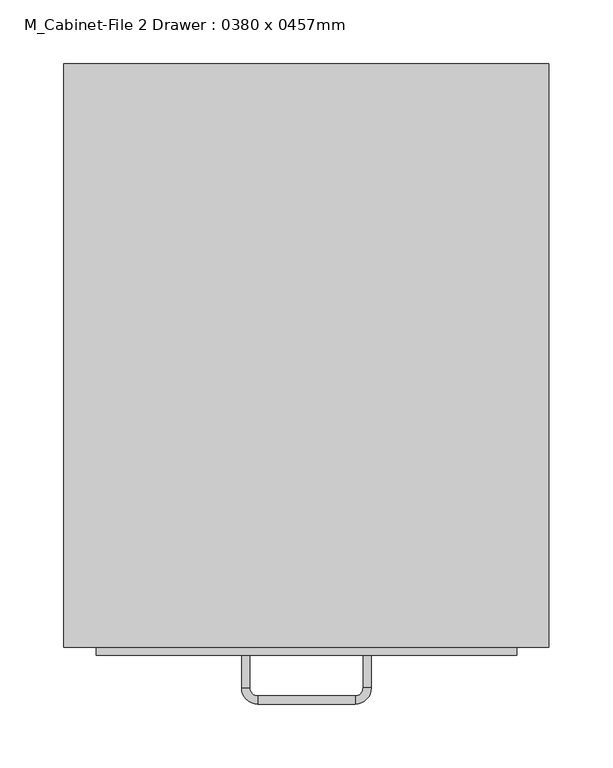
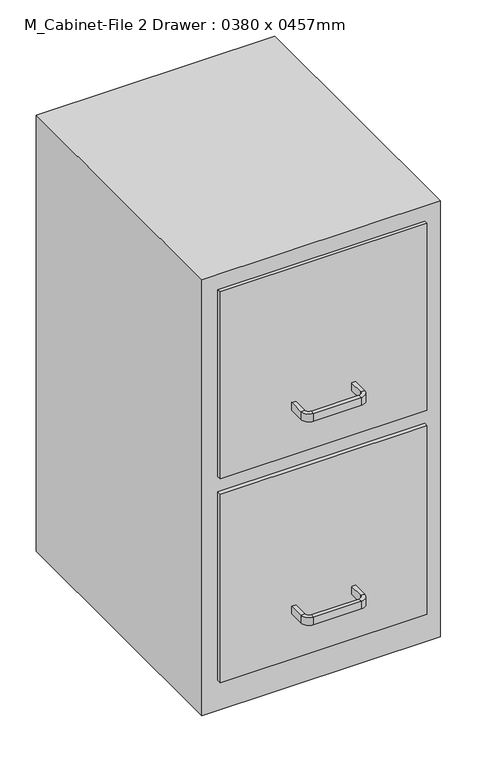
"""IFC4 building model written with IfcOpenShell, lengths in millimetres: furniture geometry, M_Cabinet-File 2 Drawer : 0380 x 0457mm."""

from ifc_helpers import new_model, si_unit, frame, origin, origin_with_axes, place, context, project, spatial, polyline, circle_curve, outline, extrude, source, transform, mapped, element, save
from ifc_brep_helpers import plane_surface, cylinder_surface, revolved_surface, advanced_brep


def m_cabinet_file_2_drawer_0380_x_0457mm_9eec7cff(model_context):
    return source(origin(), model_context, "Body", "SolidModel", [
        extrude(outline(polyline([(36.703553, -376.9843001), (-292.496447, -376.9843001), (-292.496447, -370.6343001), (36.703553, -370.6343001), (36.703553, -376.9843001)])), frame((0.0, 0.0, 393.7), z_axis=(0.0, 0.0, 1.0), x_axis=(1.0, 0.0, 0.0)), (0.0, 0.0, 1.0), 314.9),
        extrude(outline(polyline([(36.703553, -376.9843001), (-292.496447, -376.9843001), (-292.496447, -370.6343001), (36.703553, -370.6343001), (36.703553, -376.9843001)])), frame((0.0, 0.0, 50.8), z_axis=(0.0, 0.0, 1.0), x_axis=(1.0, 0.0, 0.0)), (0.0, 0.0, 1.0), 317.5),
        advanced_brep(
        [(-172.346447, -376.9843001, 127.0), (-178.696447, -376.9843001, 127.0), (-178.696447, -376.9843001, 139.7), (-172.346447, -376.9843001, 139.7), (-172.346447, -402.3843001, 127.0), (-178.696447, -402.3843001, 127.0), (-178.696447, -402.3843001, 139.7), (-172.346447, -402.3843001, 139.7), (-165.996447, -415.0843001, 127.0), (-165.996447, -408.7343001, 127.0), (-165.996447, -415.0843001, 139.7), (-165.996447, -408.7343001, 139.7), (-89.796447, -408.7343001, 127.0), (-89.796447, -415.0843001, 127.0), (-89.796447, -415.0843001, 139.7), (-89.796447, -408.7343001, 139.7), (-77.096447, -402.3843001, 127.0), (-83.446447, -402.3843001, 127.0), (-77.096447, -402.3843001, 139.7), (-83.446447, -402.3843001, 139.7), (-83.446447, -376.9843001, 127.0), (-83.446447, -376.9843001, 139.7), (-77.096447, -376.9843001, 139.7), (-77.096447, -376.9843001, 127.0)],
        [
            (0, 1),
            (1, 2),
            (2, 3),
            (3, 0),
            (0, 4),
            (4, 5),
            (5, 1),
            (5, 6),
            (6, 2),
            (6, 7),
            (7, 3),
            (7, 4),
            (8, 5, circle_curve(frame((-165.996447, -402.3843001, 127.0), z_axis=(0.0, 0.0, -1.0), x_axis=(-1.0, 0.0, 0.0)), 12.7)),
            (4, 9, circle_curve(frame((-165.996447, -402.3843001, 127.0), z_axis=(0.0, 0.0, 1.0), x_axis=(-1.0, 0.0, 0.0)), 6.35)),
            (9, 8),
            (10, 6, circle_curve(frame((-165.996447, -402.3843001, 139.7), z_axis=(0.0, 0.0, -1.0), x_axis=(-1.0, 0.0, 0.0)), 12.7)),
            (8, 10),
            (11, 7, circle_curve(frame((-165.996447, -402.3843001, 139.7), z_axis=(0.0, 0.0, -1.0), x_axis=(-1.0, 0.0, 0.0)), 6.35)),
            (10, 11),
            (11, 9),
            (9, 12),
            (12, 13),
            (13, 8),
            (13, 14),
            (14, 10),
            (14, 15),
            (15, 11),
            (15, 12),
            (16, 13, circle_curve(frame((-89.796447, -402.3843001, 127.0), z_axis=(0.0, 0.0, -1.0), x_axis=(0.0, -1.0, 0.0)), 12.7)),
            (12, 17, circle_curve(frame((-89.796447, -402.3843001, 127.0), z_axis=(0.0, 0.0, 1.0), x_axis=(0.0, -1.0, 0.0)), 6.35)),
            (17, 16),
            (18, 14, circle_curve(frame((-89.796447, -402.3843001, 139.7), z_axis=(0.0, 0.0, -1.0), x_axis=(0.0, -1.0, 0.0)), 12.7)),
            (16, 18),
            (19, 15, circle_curve(frame((-89.796447, -402.3843001, 139.7), z_axis=(0.0, 0.0, -1.0), x_axis=(0.0, -1.0, 0.0)), 6.35)),
            (18, 19),
            (19, 17),
            (20, 21),
            (21, 22),
            (22, 23),
            (23, 20),
            (17, 20),
            (23, 16),
            (22, 18),
            (21, 19),
        ],
        [
            plane_surface(frame((-661.3382215, -376.9843001, 0.0), z_axis=(0.0, 1.0, 0.0), x_axis=(0.0, 0.0, -1.0))),
            plane_surface(frame((-172.346447, -376.9843001, 127.0), z_axis=(0.0, 0.0, -1.0), x_axis=(0.0, -1.0, 0.0))),
            plane_surface(frame((-178.696447, -376.9843001, 127.0), z_axis=(-1.0, 0.0, 0.0), x_axis=(0.0, -1.0, 0.0))),
            plane_surface(frame((-178.696447, -376.9843001, 139.7), z_axis=(0.0, 0.0, 1.0), x_axis=(0.0, -1.0, 0.0))),
            plane_surface(frame((-172.346447, -376.9843001, 139.7), z_axis=(1.0, 0.0, 0.0), x_axis=(0.0, -1.0, 0.0))),
            plane_surface(frame((-165.996447, -402.3843001, 127.0), z_axis=(0.0, 0.0, -1.0), x_axis=(-1.0, 0.0, 0.0))),
            cylinder_surface(frame((-165.996447, -402.3843001, 0.0), z_axis=(0.0, 0.0, 1.0), x_axis=(-1.0, 0.0, 0.0)), 12.7),
            plane_surface(frame((-165.996447, -402.3843001, 139.7), z_axis=(0.0, 0.0, 1.0), x_axis=(-1.0, 0.0, 0.0))),
            revolved_surface(polyline([(-172.34644699999998, -402.3843001, 139.7), (-172.34644699999998, -402.3843001, 127.0)]), (-165.996447, -402.3843001, 0.0), (0.0, 0.0, 1.0)),
            plane_surface(frame((-165.996447, -408.7343001, 127.0), z_axis=(0.0, 0.0, -1.0), x_axis=(1.0, 0.0, 0.0))),
            plane_surface(frame((-165.996447, -415.0843001, 127.0), z_axis=(0.0, -1.0, 0.0), x_axis=(1.0, 0.0, 0.0))),
            plane_surface(frame((-165.996447, -415.0843001, 139.7), z_axis=(0.0, 0.0, 1.0), x_axis=(1.0, 0.0, 0.0))),
            plane_surface(frame((-165.996447, -408.7343001, 139.7), z_axis=(0.0, 1.0, 0.0), x_axis=(1.0, 0.0, 0.0))),
            plane_surface(frame((-89.796447, -402.3843001, 127.0), z_axis=(0.0, 0.0, -1.0), x_axis=(0.0, -1.0, 0.0))),
            cylinder_surface(frame((-89.796447, -402.3843001, 0.0), z_axis=(0.0, 0.0, 1.0), x_axis=(0.0, -1.0, 0.0)), 12.7),
            plane_surface(frame((-89.796447, -402.3843001, 139.7), z_axis=(0.0, 0.0, 1.0), x_axis=(0.0, -1.0, 0.0))),
            revolved_surface(polyline([(-89.796447, -408.73430010000004, 139.7), (-89.796447, -408.73430010000004, 127.0)]), (-89.796447, -402.3843001, 0.0), (0.0, 0.0, 1.0)),
            plane_surface(frame((-559.7382215, -376.9843001, 0.0), z_axis=(0.0, 1.0, 0.0), x_axis=(0.0, 0.0, 1.0))),
            plane_surface(frame((-83.446447, -402.3843001, 127.0), z_axis=(0.0, 0.0, -1.0), x_axis=(0.0, 1.0, 0.0))),
            plane_surface(frame((-77.096447, -402.3843001, 127.0), z_axis=(1.0, 0.0, 0.0), x_axis=(0.0, 1.0, 0.0))),
            plane_surface(frame((-77.096447, -402.3843001, 139.7), z_axis=(0.0, 0.0, 1.0), x_axis=(0.0, 1.0, 0.0))),
            plane_surface(frame((-83.446447, -402.3843001, 139.7), z_axis=(-1.0, 0.0, 0.0), x_axis=(0.0, 1.0, 0.0))),
        ],
        [
            (0, [[1, 2, 3, 4]]),
            (1, [[-1, 5, 6, 7]]),
            (2, [[-2, -7, 8, 9]]),
            (3, [[-3, -9, 10, 11]]),
            (4, [[-4, -11, 12, -5]]),
            (5, [[13, -6, 14, 15]]),
            (6, [[16, -8, -13, 17]]),
            (7, [[18, -10, -16, 19]]),
            (8, [[-14, -12, -18, 20]]),
            (9, [[-15, 21, 22, 23]]),
            (10, [[-17, -23, 24, 25]]),
            (11, [[-19, -25, 26, 27]]),
            (12, [[-20, -27, 28, -21]]),
            (13, [[29, -22, 30, 31]]),
            (14, [[32, -24, -29, 33]]),
            (15, [[34, -26, -32, 35]]),
            (16, [[-30, -28, -34, 36]]),
            (17, [[37, 38, 39, 40]]),
            (18, [[-31, 41, -40, 42]]),
            (19, [[-33, -42, -39, 43]]),
            (20, [[-35, -43, -38, 44]]),
            (21, [[-36, -44, -37, -41]]),
        ],
    ),
        advanced_brep(
        [(-172.346447, -376.9843001, 469.9), (-178.696447, -376.9843001, 469.9), (-178.696447, -376.9843001, 482.6), (-172.346447, -376.9843001, 482.6), (-172.346447, -402.3843001, 469.9), (-178.696447, -402.3843001, 469.9), (-178.696447, -402.3843001, 482.6), (-172.346447, -402.3843001, 482.6), (-165.996447, -415.0843001, 469.9), (-165.996447, -408.7343001, 469.9), (-165.996447, -415.0843001, 482.6), (-165.996447, -408.7343001, 482.6), (-89.796447, -408.7343001, 469.9), (-89.796447, -415.0843001, 469.9), (-89.796447, -415.0843001, 482.6), (-89.796447, -408.7343001, 482.6), (-77.096447, -402.3843001, 469.9), (-83.446447, -402.3843001, 469.9), (-77.096447, -402.3843001, 482.6), (-83.446447, -402.3843001, 482.6), (-83.446447, -376.9843001, 469.9), (-83.446447, -376.9843001, 482.6), (-77.096447, -376.9843001, 482.6), (-77.096447, -376.9843001, 469.9)],
        [
            (0, 1),
            (1, 2),
            (2, 3),
            (3, 0),
            (0, 4),
            (4, 5),
            (5, 1),
            (5, 6),
            (6, 2),
            (6, 7),
            (7, 3),
            (7, 4),
            (8, 5, circle_curve(frame((-165.996447, -402.3843001, 469.9), z_axis=(0.0, 0.0, -1.0), x_axis=(-1.0, 0.0, 0.0)), 12.7)),
            (4, 9, circle_curve(frame((-165.996447, -402.3843001, 469.9), z_axis=(0.0, 0.0, 1.0), x_axis=(-1.0, 0.0, 0.0)), 6.35)),
            (9, 8),
            (10, 6, circle_curve(frame((-165.996447, -402.3843001, 482.6), z_axis=(0.0, 0.0, -1.0), x_axis=(-1.0, 0.0, 0.0)), 12.7)),
            (8, 10),
            (11, 7, circle_curve(frame((-165.996447, -402.3843001, 482.6), z_axis=(0.0, 0.0, -1.0), x_axis=(-1.0, 0.0, 0.0)), 6.35)),
            (10, 11),
            (11, 9),
            (9, 12),
            (12, 13),
            (13, 8),
            (13, 14),
            (14, 10),
            (14, 15),
            (15, 11),
            (15, 12),
            (16, 13, circle_curve(frame((-89.796447, -402.3843001, 469.9), z_axis=(0.0, 0.0, -1.0), x_axis=(0.0, -1.0, 0.0)), 12.7)),
            (12, 17, circle_curve(frame((-89.796447, -402.3843001, 469.9), z_axis=(0.0, 0.0, 1.0), x_axis=(0.0, -1.0, 0.0)), 6.35)),
            (17, 16),
            (18, 14, circle_curve(frame((-89.796447, -402.3843001, 482.6), z_axis=(0.0, 0.0, -1.0), x_axis=(0.0, -1.0, 0.0)), 12.7)),
            (16, 18),
            (19, 15, circle_curve(frame((-89.796447, -402.3843001, 482.6), z_axis=(0.0, 0.0, -1.0), x_axis=(0.0, -1.0, 0.0)), 6.35)),
            (18, 19),
            (19, 17),
            (20, 21),
            (21, 22),
            (22, 23),
            (23, 20),
            (17, 20),
            (23, 16),
            (22, 18),
            (21, 19),
        ],
        [
            plane_surface(frame((-661.3382215, -376.9843001, 0.0), z_axis=(0.0, 1.0, 0.0), x_axis=(0.0, 0.0, -1.0))),
            plane_surface(frame((-172.346447, -376.9843001, 469.9), z_axis=(0.0, 0.0, -1.0), x_axis=(0.0, -1.0, 0.0))),
            plane_surface(frame((-178.696447, -376.9843001, 469.9), z_axis=(-1.0, 0.0, 0.0), x_axis=(0.0, -1.0, 0.0))),
            plane_surface(frame((-178.696447, -376.9843001, 482.6), z_axis=(0.0, 0.0, 1.0), x_axis=(0.0, -1.0, 0.0))),
            plane_surface(frame((-172.346447, -376.9843001, 482.6), z_axis=(1.0, 0.0, 0.0), x_axis=(0.0, -1.0, 0.0))),
            plane_surface(frame((-165.996447, -402.3843001, 469.9), z_axis=(0.0, 0.0, -1.0), x_axis=(-1.0, 0.0, 0.0))),
            cylinder_surface(frame((-165.996447, -402.3843001, 0.0), z_axis=(0.0, 0.0, 1.0), x_axis=(-1.0, 0.0, 0.0)), 12.7),
            plane_surface(frame((-165.996447, -402.3843001, 482.6), z_axis=(0.0, 0.0, 1.0), x_axis=(-1.0, 0.0, 0.0))),
            revolved_surface(polyline([(-172.34644699999998, -402.3843001, 482.6), (-172.34644699999998, -402.3843001, 469.9)]), (-165.996447, -402.3843001, 0.0), (0.0, 0.0, 1.0)),
            plane_surface(frame((-165.996447, -408.7343001, 469.9), z_axis=(0.0, 0.0, -1.0), x_axis=(1.0, 0.0, 0.0))),
            plane_surface(frame((-165.996447, -415.0843001, 469.9), z_axis=(0.0, -1.0, 0.0), x_axis=(1.0, 0.0, 0.0))),
            plane_surface(frame((-165.996447, -415.0843001, 482.6), z_axis=(0.0, 0.0, 1.0), x_axis=(1.0, 0.0, 0.0))),
            plane_surface(frame((-165.996447, -408.7343001, 482.6), z_axis=(0.0, 1.0, 0.0), x_axis=(1.0, 0.0, 0.0))),
            plane_surface(frame((-89.796447, -402.3843001, 469.9), z_axis=(0.0, 0.0, -1.0), x_axis=(0.0, -1.0, 0.0))),
            cylinder_surface(frame((-89.796447, -402.3843001, 0.0), z_axis=(0.0, 0.0, 1.0), x_axis=(0.0, -1.0, 0.0)), 12.7),
            plane_surface(frame((-89.796447, -402.3843001, 482.6), z_axis=(0.0, 0.0, 1.0), x_axis=(0.0, -1.0, 0.0))),
            revolved_surface(polyline([(-89.796447, -408.73430010000004, 482.6), (-89.796447, -408.73430010000004, 469.9)]), (-89.796447, -402.3843001, 0.0), (0.0, 0.0, 1.0)),
            plane_surface(frame((-559.7382215, -376.9843001, 0.0), z_axis=(0.0, 1.0, 0.0), x_axis=(0.0, 0.0, 1.0))),
            plane_surface(frame((-83.446447, -402.3843001, 469.9), z_axis=(0.0, 0.0, -1.0), x_axis=(0.0, 1.0, 0.0))),
            plane_surface(frame((-77.096447, -402.3843001, 469.9), z_axis=(1.0, 0.0, 0.0), x_axis=(0.0, 1.0, 0.0))),
            plane_surface(frame((-77.096447, -402.3843001, 482.6), z_axis=(0.0, 0.0, 1.0), x_axis=(0.0, 1.0, 0.0))),
            plane_surface(frame((-83.446447, -402.3843001, 482.6), z_axis=(-1.0, 0.0, 0.0), x_axis=(0.0, 1.0, 0.0))),
        ],
        [
            (0, [[1, 2, 3, 4]]),
            (1, [[-1, 5, 6, 7]]),
            (2, [[-2, -7, 8, 9]]),
            (3, [[-3, -9, 10, 11]]),
            (4, [[-4, -11, 12, -5]]),
            (5, [[13, -6, 14, 15]]),
            (6, [[16, -8, -13, 17]]),
            (7, [[18, -10, -16, 19]]),
            (8, [[-14, -12, -18, 20]]),
            (9, [[-15, 21, 22, 23]]),
            (10, [[-17, -23, 24, 25]]),
            (11, [[-19, -25, 26, 27]]),
            (12, [[-20, -27, 28, -21]]),
            (13, [[29, -22, 30, 31]]),
            (14, [[32, -24, -29, 33]]),
            (15, [[34, -26, -32, 35]]),
            (16, [[-30, -28, -34, 36]]),
            (17, [[37, 38, 39, 40]]),
            (18, [[-31, 41, -40, 42]]),
            (19, [[-33, -42, -39, 43]]),
            (20, [[-35, -43, -38, 44]]),
            (21, [[-36, -44, -37, -41]]),
        ],
    ),
        extrude(outline(polyline([(62.103553, 86.3656999), (62.103553, -370.6343001), (-317.896447, -370.6343001), (-317.896447, 86.3656999), (62.103553, 86.3656999)])), origin_with_axes(), (0.0, 0.0, 1.0), 734.0),
    ])


if __name__ == "__main__":
    model = new_model("IFC4")
    model_context = context("Model", 3, world=origin())
    ifc_project = project(units=[si_unit("LENGTHUNIT", "METRE", prefix="MILLI")], contexts=[model_context])
    site = spatial("IfcSite", under=ifc_project)
    building = spatial("IfcBuilding", under=site)
    placement = place(None, origin())
    m_cabinet_file_2_drawer_0380_x_0457mm_shape = m_cabinet_file_2_drawer_0380_x_0457mm_9eec7cff(model_context)
    element("IfcFurniture", 1, ObjectType="M_Cabinet-File 2 Drawer : 0380 x 0457mm", at=placement, inside=building, context=model_context, shape_type="MappedRepresentation", body=[
        mapped(m_cabinet_file_2_drawer_0380_x_0457mm_shape, transform((0.0, 0.0, 0.0), x_axis=(1.0, 0.0, 0.0), y_axis=(0.0, 1.0, 0.0), z_axis=(0.0, 0.0, 1.0))),
    ])
    save(model, "model.ifc")
